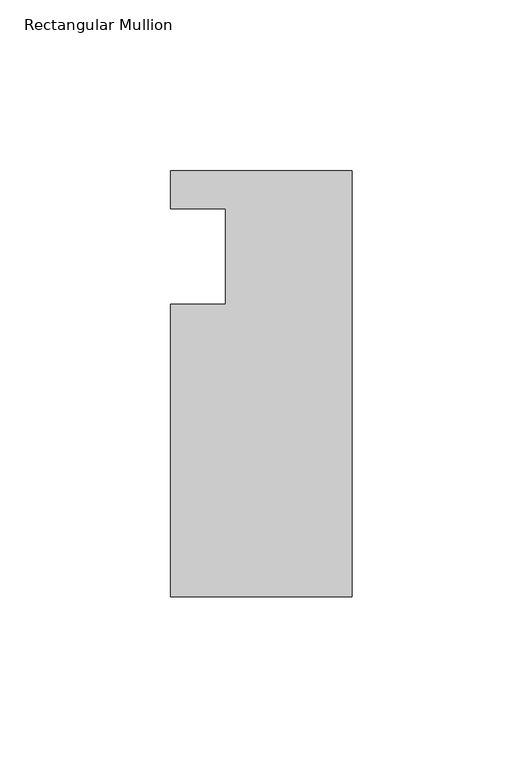
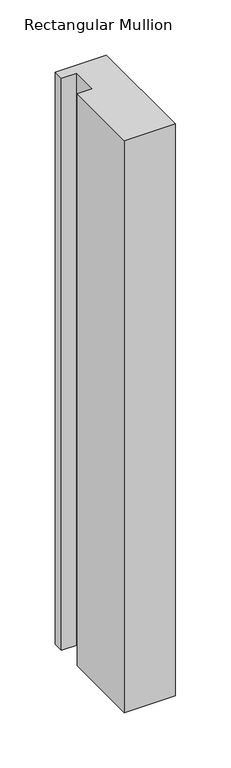
"""IFC4 building model written with IfcOpenShell, lengths in millimetres: member geometry, Rectangular Mullion."""

from ifc_helpers import new_model, si_unit, frame, origin, place, context, project, spatial, polyline, outline, extrude, source, transform, mapped, element, save


def rectangular_mullion_e82d6939(model_context):
    return source(origin(), model_context, "Body", "SweptSolid", [
        extrude(outline(polyline([(-37.0, 13.9999453), (-53.0, 13.9999453), (-53.0, 24.9999453), (0.0, 24.9999453), (0.0, -99.5000547), (-53.0, -99.5000547), (-53.0, -14.0000547), (-37.0, -14.0000547), (-37.0, 13.9999453)])), frame((0.0, 0.0, -629.9940155), z_axis=(0.0, 0.0, 1.0), x_axis=(1.0, 0.0, 0.0)), (0.0, 0.0, 1.0), 629.9940155),
    ])


if __name__ == "__main__":
    model = new_model("IFC4")
    model_context = context("Model", 3, world=origin())
    ifc_project = project(units=[si_unit("LENGTHUNIT", "METRE", prefix="MILLI")], contexts=[model_context])
    site = spatial("IfcSite", under=ifc_project)
    building = spatial("IfcBuilding", under=site)
    placement = place(None, origin())
    rectangular_mullion_shape = rectangular_mullion_e82d6939(model_context)
    element("IfcMember", 1, ObjectType="Rectangular Mullion", at=placement, inside=building, context=model_context, shape_type="MappedRepresentation", body=[
        mapped(rectangular_mullion_shape, transform((0.0, 0.0, 0.0), x_axis=(1.0, 0.0, 0.0), y_axis=(0.0, 1.0, 0.0), z_axis=(0.0, 0.0, 1.0))),
    ])
    save(model, "model.ifc")
